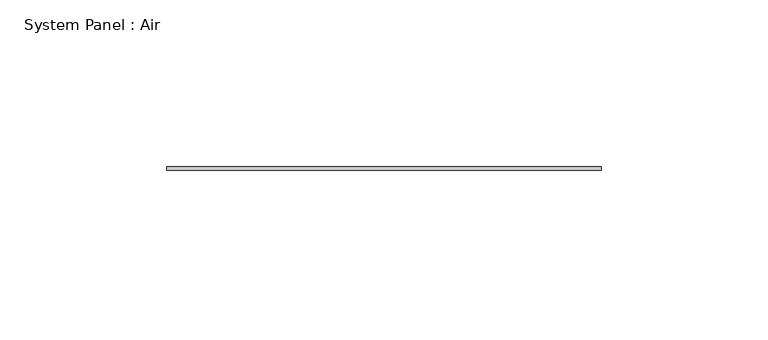
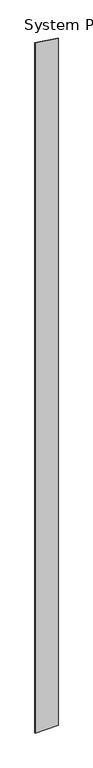
"""IFC4 building model written with IfcOpenShell, lengths in millimetres: plate geometry, System Panel : Air."""

from ifc_helpers import new_model, si_unit, frame, origin, place, context, project, spatial, polyline, outline, extrude, source, transform, mapped, element, save


def system_panel_air_f7ffe63a(model_context):
    return source(origin(), model_context, "Body", "SweptSolid", [
        extrude(outline(polyline([(0.0, -65.0), (0.0, 65.0), (4104.3129963, 65.0), (4123.5672136, -65.0), (0.0, -65.0)])), frame((0.0, 36.5, 0.0), z_axis=(0.0, 1.0, 0.0), x_axis=(0.0, 0.0, 1.0)), (0.0, 0.0, 1.0), 1.0),
    ])


if __name__ == "__main__":
    model = new_model("IFC4")
    model_context = context("Model", 3, world=origin())
    ifc_project = project(units=[si_unit("LENGTHUNIT", "METRE", prefix="MILLI")], contexts=[model_context])
    site = spatial("IfcSite", under=ifc_project)
    building = spatial("IfcBuilding", under=site)
    placement = place(None, origin())
    system_panel_air_shape = system_panel_air_f7ffe63a(model_context)
    element("IfcPlate", 1, ObjectType="System Panel : Air", at=placement, inside=building, context=model_context, shape_type="MappedRepresentation", body=[
        mapped(system_panel_air_shape, transform((0.0, 0.0, 0.0), x_axis=(1.0, 0.0, 0.0), y_axis=(0.0, 1.0, 0.0), z_axis=(0.0, 0.0, 1.0))),
    ])
    save(model, "model.ifc")
